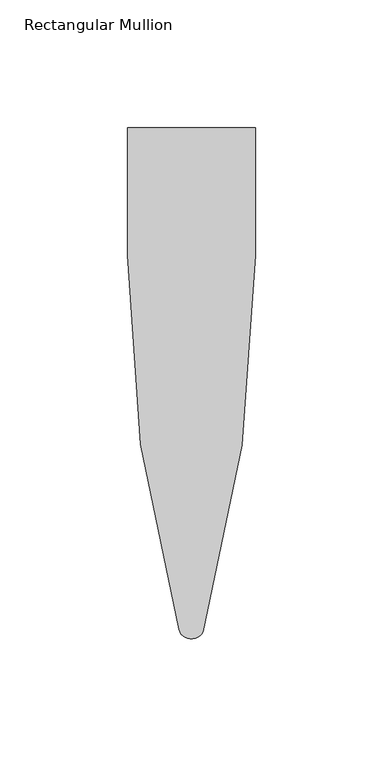
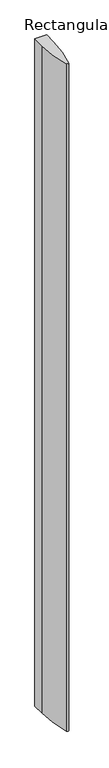
"""IFC4 building model written with IfcOpenShell, lengths in millimetres: member geometry, Rectangular Mullion."""

from ifc_helpers import new_model, si_unit, point, frame, frame_2d, origin, place, context, project, spatial, polyline, circle_curve, trimmed, segment, composite_curve, outline, extrude, source, transform, mapped, element, save


def rectangular_mullion_17ae2b9c(model_context):
    return source(origin(), model_context, "Body", "SweptSolid", [
        extrude(outline(composite_curve([segment(polyline([(25.0, 0.0), (25.0, -49.8999964)]), True, "CONTINUOUS"), segment(trimmed(circle_curve(frame_2d((-515.6250258, -49.8999964)), 540.6250258), [point((25.0, -49.8999964))], [point((4.5390659, -197.2252701))], False, "CARTESIAN"), True, "CONTINUOUS"), segment(trimmed(circle_curve(frame_2d((0.0, -194.9)), 5.1), [point((4.5390659, -197.2252701))], [point((-4.9114327, -196.2739828))], False, "CARTESIAN"), True, "CONTINUOUS"), segment(trimmed(circle_curve(frame_2d((518.3163576, -49.8999964)), 543.3163576), [point((-4.9114327, -196.2739828))], [point((-25.0, -49.8999964))], False, "CARTESIAN"), True, "CONTINUOUS"), segment(polyline([(-25.0, -49.8999964), (-25.0, 0.0), (25.0, 0.0)]), True, "CONTINUOUS")], self_intersect=False)), frame((0.0, 0.0, -3000.0), z_axis=(0.0, 0.0, 1.0), x_axis=(1.0, 0.0, 0.0)), (0.0, 0.0, 1.0), 3000.0),
    ])


if __name__ == "__main__":
    model = new_model("IFC4")
    model_context = context("Model", 3, world=origin())
    ifc_project = project(units=[si_unit("LENGTHUNIT", "METRE", prefix="MILLI")], contexts=[model_context])
    site = spatial("IfcSite", under=ifc_project)
    building = spatial("IfcBuilding", under=site)
    placement = place(None, origin())
    rectangular_mullion_shape = rectangular_mullion_17ae2b9c(model_context)
    element("IfcMember", 1, ObjectType="Rectangular Mullion", at=placement, inside=building, context=model_context, shape_type="MappedRepresentation", body=[
        mapped(rectangular_mullion_shape, transform((0.0, 0.0, 0.0), x_axis=(1.0, 0.0, 0.0), y_axis=(0.0, 1.0, 0.0), z_axis=(0.0, 0.0, 1.0))),
    ])
    save(model, "model.ifc")
